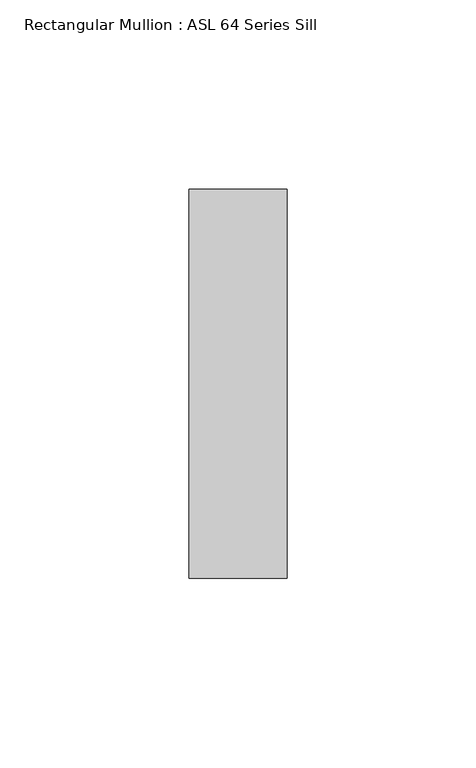
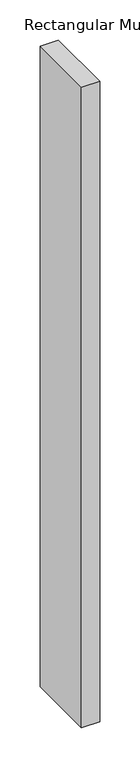
"""IFC4 building model written with IfcOpenShell, lengths in millimetres: member geometry, Rectangular Mullion : ASL 64 Series Sill."""

import ifcopenshell
import ifcopenshell.guid

model = None  # the IFC model being written
_history = None  # IfcOwnerHistory: only IFC2X3 demands one
_inside = {}  # id of a spatial element -> (the spatial element, [elements in it])
_under = {}  # id of a project, library or spatial element -> (it, [spatial elements below it])
_declared = {}  # id of a project -> (the project, [libraries it declares])
_typed = {}  # id of a type object -> (the type object, [elements of that type])
_made_of = {}  # id of a material, layer set ... -> (it, [elements and type objects made of it])


def new_model(schema):
    """Start an empty IFC model of exactly this schema.

    Asked for "IFC4X3", IfcOpenShell would pick the latest addendum, in which some entities
    have other attributes; the version numbers below select the first issue.
    IFC2X3 requires an IfcOwnerHistory on every rooted entity: one is made here for all.
    """
    global model, _history
    if schema == "IFC4X3":
        model = ifcopenshell.file(schema_version=(4, 3, 0, 0))
    else:
        model = ifcopenshell.file(schema=schema)
    _inside.clear()
    _under.clear()
    _declared.clear()
    _typed.clear()
    _made_of.clear()
    _history = None
    if model.schema == "IFC2X3":
        org = make("IfcOrganization", Name="unknown")
        user = make(
            "IfcPersonAndOrganization",
            ThePerson=make("IfcPerson", FamilyName="unknown"),
            TheOrganization=org,
        )
        app = make(
            "IfcApplication",
            ApplicationDeveloper=org,
            Version="unknown",
            ApplicationFullName="unknown",
            ApplicationIdentifier="unknown",
        )
        _history = make(
            "IfcOwnerHistory",
            OwningUser=user,
            OwningApplication=app,
            ChangeAction="ADDED",
            CreationDate=0,
        )
    return model


def make(cls, **values):
    """One entity of the class cls with the attributes given. An attribute that is None is left unset."""
    return model.create_entity(
        cls, **{name: value for name, value in values.items() if value is not None}
    )


def rooted(cls, **values):
    """An entity with a GlobalId (a new one), such as an element, a storey or a relation."""
    return make(cls, GlobalId=ifcopenshell.guid.new(), OwnerHistory=_history, **values)


def si_unit(unit_type, name, prefix=None):
    """IfcSIUnit, for example si_unit("LENGTHUNIT", "METRE", prefix="MILLI")."""
    return make("IfcSIUnit", UnitType=unit_type, Prefix=prefix, Name=name)


def assignment(units):
    """IfcUnitAssignment: the units of a project."""
    return None if units is None else make("IfcUnitAssignment", Units=units)


def point(xyz):
    """IfcCartesianPoint."""
    return None if xyz is None else make("IfcCartesianPoint", Coordinates=xyz)


def direction(xyz):
    """IfcDirection."""
    return None if xyz is None else make("IfcDirection", DirectionRatios=xyz)


def frame(location, z_axis=None, x_axis=None):
    """IfcAxis2Placement3D, a coordinate frame: its origin and axes. An axis left out is left unset."""
    return make(
        "IfcAxis2Placement3D",
        Location=point(location),
        Axis=direction(z_axis),
        RefDirection=direction(x_axis),
    )


def origin():
    """The frame at (0, 0, 0) with its axes left unset."""
    return frame((0.0, 0.0, 0.0))


def place(relative_to, where):
    """IfcLocalPlacement: puts the frame where relative to a parent placement (None: the world)."""
    return make(
        "IfcLocalPlacement", PlacementRelTo=relative_to, RelativePlacement=where
    )


def context(
    kind, dimensions, precision=None, world=None, true_north=None, identifier=None
):
    """IfcGeometricRepresentationContext, for example the 3D "Model" context."""
    return make(
        "IfcGeometricRepresentationContext",
        ContextIdentifier=identifier,
        ContextType=kind,
        CoordinateSpaceDimension=dimensions,
        Precision=precision,
        WorldCoordinateSystem=world,
        TrueNorth=true_north,
    )


def project(units=None, contexts=None):
    """IfcProject with its units and contexts."""
    return rooted(
        "IfcProject",
        Name="project",
        RepresentationContexts=contexts,
        UnitsInContext=assignment(units),
    )


def spatial(cls, under=None, at=None, **own):
    """A site, building, storey or space (cls), placed at a placement, below another one or the project."""
    s = rooted(cls, ObjectPlacement=at, **own)
    if under is not None:
        _under.setdefault(under.id(), (under, []))[1].append(s)
    return s


def polyline(points):
    """IfcPolyline through the points."""
    return make("IfcPolyline", Points=[point(p) for p in points])


def outline(outer, holes=None, kind="AREA"):
    """IfcArbitraryClosedProfileDef: a profile drawn as a closed curve; with holes, ...WithVoids."""
    if holes is None:
        return make("IfcArbitraryClosedProfileDef", ProfileType=kind, OuterCurve=outer)
    return make(
        "IfcArbitraryProfileDefWithVoids",
        ProfileType=kind,
        OuterCurve=outer,
        InnerCurves=holes,
    )


def extrude(swept, where, along, depth):
    """IfcExtrudedAreaSolid: the profile swept, set in the frame where, extruded along a direction by depth."""
    return make(
        "IfcExtrudedAreaSolid",
        SweptArea=swept,
        Position=where,
        ExtrudedDirection=direction(along),
        Depth=depth,
    )


def shape(context_of_items, identifier, shape_type, items):
    """IfcShapeRepresentation: the items that make up one representation, for example the "Body"."""
    return make(
        "IfcShapeRepresentation",
        ContextOfItems=context_of_items,
        RepresentationIdentifier=identifier,
        RepresentationType=shape_type,
        Items=items,
    )


def source(mapping_origin, context_of_items, identifier, shape_type, items):
    """IfcRepresentationMap: a shape defined once, which mapped items show again and again."""
    return make(
        "IfcRepresentationMap",
        MappingOrigin=mapping_origin,
        MappedRepresentation=shape(context_of_items, identifier, shape_type, items),
    )


def transform(
    local_origin,
    x_axis=None,
    y_axis=None,
    z_axis=None,
    scale=None,
    scale2=None,
    scale3=None,
    uniform=True,
):
    """IfcCartesianTransformationOperator3D, or its non-uniform kind. x_axis, y_axis, z_axis: its Axis1, 2, 3."""
    if uniform:
        return make(
            "IfcCartesianTransformationOperator3D",
            Axis1=direction(x_axis),
            Axis2=direction(y_axis),
            LocalOrigin=point(local_origin),
            Scale=scale,
            Axis3=direction(z_axis),
        )
    return make(
        "IfcCartesianTransformationOperator3DnonUniform",
        Axis1=direction(x_axis),
        Axis2=direction(y_axis),
        LocalOrigin=point(local_origin),
        Scale=scale,
        Axis3=direction(z_axis),
        Scale2=scale2,
        Scale3=scale3,
    )


def mapped(mapping_source, mapping_target):
    """IfcMappedItem: shows the shape of a source again, moved by a transform."""
    return make(
        "IfcMappedItem", MappingSource=mapping_source, MappingTarget=mapping_target
    )


def made_of(thing, what):
    """Note that an element or type object is made of a material, layer set ...; save() writes the relation."""
    if what is not None:
        _made_of.setdefault(what.id(), (what, []))[1].append(thing)
    return thing


def element(
    cls,
    number,
    at=None,
    inside=None,
    cuts=None,
    type_object=None,
    material=None,
    context=None,
    identifier="Body",
    shape_type=None,
    held_by="IfcProductDefinitionShape",
    body=None,
    shapes=None,
    **own,
):
    """One element of the class cls, such as IfcWall. Its Tag is "e" and its number.

    at: its placement. inside: the storey or other place that contains it. cuts: it is an
    opening in that element (IfcRelVoidsElement). A single representation is given by context,
    identifier, shape_type and body (its items); several are given by shapes. held_by: the class
    of the entity that holds the representations. save() writes the other relations.
    """
    e = rooted(cls, Tag="e%d" % number, ObjectPlacement=at, **own)
    if body is not None:
        shapes = [shape(context, identifier, shape_type, body)]
    if shapes is not None:
        e.Representation = make(held_by, Representations=shapes)
    if inside is not None:
        _inside.setdefault(inside.id(), (inside, []))[1].append(e)
    if cuts is not None:
        rooted(
            "IfcRelVoidsElement", RelatingBuildingElement=cuts, RelatedOpeningElement=e
        )
    if type_object is not None:
        _typed.setdefault(type_object.id(), (type_object, []))[1].append(e)
    return made_of(e, material)


def aggregate(whole, parts):
    """IfcRelAggregates: a whole, such as a stair, and the parts it consists of."""
    return rooted("IfcRelAggregates", RelatingObject=whole, RelatedObjects=parts)


def save(model, path):
    """Write the relations noted so far, then the file.

    IfcRelAggregates (storeys below a building ...), IfcRelContainedInSpatialStructure (elements
    in a storey), IfcRelDefinesByType, IfcRelAssociatesMaterial and IfcRelDeclares: one each for
    every whole, place, type object, material and project.
    """
    for whole, parts in _under.values():
        aggregate(whole, parts)
    for where, things in _inside.values():
        rooted(
            "IfcRelContainedInSpatialStructure",
            RelatedElements=things,
            RelatingStructure=where,
        )
    for kind, things in _typed.values():
        rooted("IfcRelDefinesByType", RelatedObjects=things, RelatingType=kind)
    for what, things in _made_of.values():
        rooted("IfcRelAssociatesMaterial", RelatedObjects=things, RelatingMaterial=what)
    for by, libraries in _declared.values():
        rooted("IfcRelDeclares", RelatingContext=by, RelatedDefinitions=libraries)
    model.write(path)


def rectangular_mullion_asl_64_series_sill_30df5846(model_context):
    return source(origin(), model_context, "Body", "SweptSolid", [
        extrude(outline(polyline([(-26.0, 51.5), (0.0, 51.5), (0.0, -51.5), (-26.0, -51.5), (-26.0, 51.5)])), frame((0.0, 0.0, -974.0), z_axis=(0.0, 0.0, 1.0), x_axis=(1.0, 0.0, 0.0)), (0.0, 0.0, 1.0), 974.0),
    ])


if __name__ == "__main__":
    model = new_model("IFC4")
    model_context = context("Model", 3, world=origin())
    ifc_project = project(units=[si_unit("LENGTHUNIT", "METRE", prefix="MILLI")], contexts=[model_context])
    site = spatial("IfcSite", under=ifc_project)
    building = spatial("IfcBuilding", under=site)
    placement = place(None, origin())
    rectangular_mullion_asl_64_series_sill_shape = rectangular_mullion_asl_64_series_sill_30df5846(model_context)
    element("IfcMember", 1, ObjectType="Rectangular Mullion : ASL 64 Series Sill", at=placement, inside=building, context=model_context, shape_type="MappedRepresentation", body=[
        mapped(rectangular_mullion_asl_64_series_sill_shape, transform((0.0, 0.0, 0.0), x_axis=(1.0, 0.0, 0.0), y_axis=(0.0, 1.0, 0.0), z_axis=(0.0, 0.0, 1.0))),
    ])
    save(model, "model.ifc")
